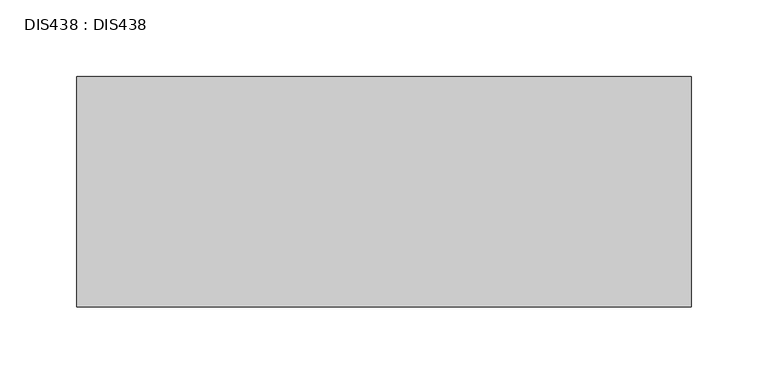
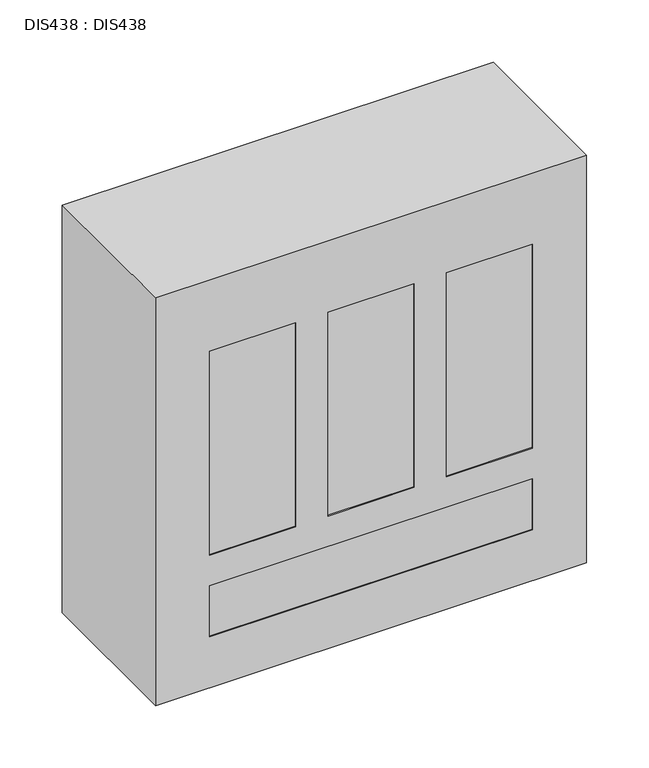
"""IFC4 building model written with IfcOpenShell, lengths in millimetres: proxy geometry, DIS438 : DIS438."""

from ifc_helpers import new_model, si_unit, origin, place, context, project, spatial, faceted_brep, source, transform, mapped, element, save


def dis438_dis438_c7bbd09c(model_context):
    return source(origin(), model_context, "Body", "Brep", [
        faceted_brep([(400.0000031, 0.0, 400.0000031), (0.0, 0.0, 400.0000031), (0.0, -150.0000011, 400.0000031), (400.0000031, -150.0000011, 400.0000031), (400.0000031, 0.0, 0.0), (400.0000031, -150.0000011, 0.0), (0.0, -150.0000011, 0.0), (0.0, 0.0, 0.0), (50.0, -150.0000011, 330.0), (130.0, -150.0000011, 330.0), (130.0, -150.0000011, 130.0), (50.0, -150.0000011, 130.0), (160.0, -150.0000011, 330.0), (240.0, -150.0000011, 330.0), (240.0, -150.0000011, 130.0), (160.0, -150.0000011, 130.0), (270.0, -150.0000011, 330.0), (350.0, -150.0000011, 330.0), (350.0, -150.0000011, 130.0), (270.0, -150.0000011, 130.0), (50.0, -150.0000011, 100.0), (350.0, -150.0000011, 100.0), (350.0, -150.0000011, 50.0), (50.0, -150.0000011, 50.0), (130.0, -148.7971836, 330.0), (50.0, -148.7971836, 330.0), (50.0, -148.7971836, 130.0), (130.0, -148.7971836, 130.0), (240.0, -148.7971836, 330.0), (160.0, -148.7971836, 330.0), (160.0, -148.7971836, 130.0), (240.0, -148.7971836, 130.0), (350.0, -148.7971836, 330.0), (270.0, -148.7971836, 330.0), (270.0, -148.7971836, 130.0), (350.0, -148.7971836, 130.0), (350.0, -148.7971836, 100.0), (50.0, -148.7971836, 100.0), (50.0, -148.7971836, 50.0), (350.0, -148.7971836, 50.0)], [[[0, 1, 2, 3]], [[4, 5, 6, 7]], [[1, 0, 4, 7]], [[2, 1, 7, 6]], [[3, 2, 6, 5], [8, 9, 10, 11], [12, 13, 14, 15], [16, 17, 18, 19], [20, 21, 22, 23]], [[0, 3, 5, 4]], [[24, 25, 26, 27]], [[28, 29, 30, 31]], [[32, 33, 34, 35]], [[36, 37, 38, 39]], [[25, 24, 9, 8]], [[26, 25, 8, 11]], [[27, 26, 11, 10]], [[24, 27, 10, 9]], [[29, 28, 13, 12]], [[30, 29, 12, 15]], [[31, 30, 15, 14]], [[28, 31, 14, 13]], [[33, 32, 17, 16]], [[34, 33, 16, 19]], [[35, 34, 19, 18]], [[32, 35, 18, 17]], [[37, 36, 21, 20]], [[38, 37, 20, 23]], [[39, 38, 23, 22]], [[36, 39, 22, 21]]]),
    ])


if __name__ == "__main__":
    model = new_model("IFC4")
    model_context = context("Model", 3, world=origin())
    ifc_project = project(units=[si_unit("LENGTHUNIT", "METRE", prefix="MILLI")], contexts=[model_context])
    site = spatial("IfcSite", under=ifc_project)
    building = spatial("IfcBuilding", under=site)
    placement = place(None, origin())
    dis438_dis438_shape = dis438_dis438_c7bbd09c(model_context)
    element("IfcBuildingElementProxy", 1, Name="DIS438 : DIS438", ObjectType="DIS438 : DIS438", at=placement, inside=building, context=model_context, shape_type="MappedRepresentation", body=[
        mapped(dis438_dis438_shape, transform((0.0, 0.0, 0.0), x_axis=(1.0, 0.0, 0.0), y_axis=(0.0, 1.0, 0.0), z_axis=(0.0, 0.0, 1.0))),
    ])
    save(model, "model.ifc")
